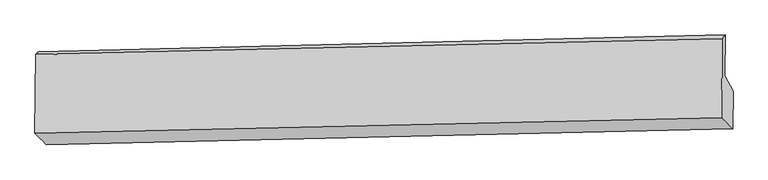
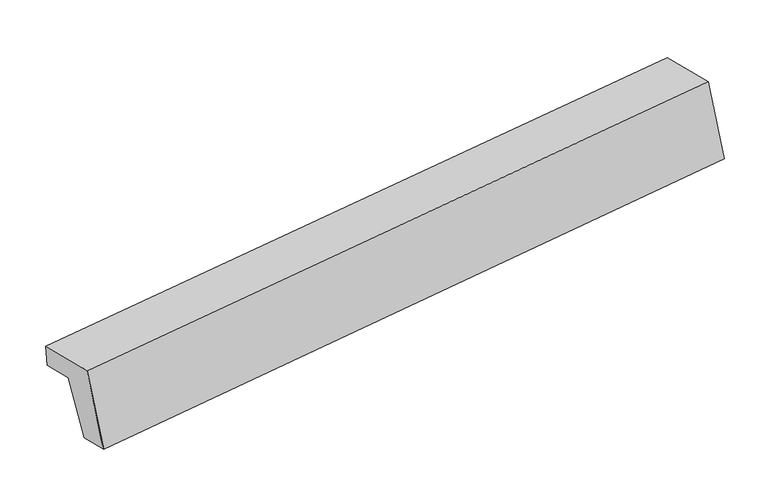
"""IFC4 building model written with IfcOpenShell, lengths in millimetres: proxy geometry."""

from ifc_helpers import new_model, si_unit, frame, origin, place, context, project, spatial, source, transform, mapped, element, save
from ifc_brep_helpers import plane_surface, spline_surface, advanced_brep


def generic_models_89c8622b(model_context):
    return source(origin(), model_context, "Body", "AdvancedBrep", [
        advanced_brep(
        [(-6275.6986638, -1164.2426885, 1786.4335851), (-6282.8057015, -1939.0851548, 1981.6617519), (459.3950765, -1785.5501903, 2795.538074), (466.5021142, -1010.7077239, 2600.3099072), (-6169.792179, -2050.3073248, 1116.0309789), (569.8431578, -1891.9041508, 1949.1353808), (-6166.4501791, -1685.9468793, 1024.2272577), (573.1851577, -1527.5437053, 1857.3316595), (-6248.8794953, -1529.5280966, 1642.0381459), (492.0385621, -1373.5590273, 2465.528508), (-6245.2880041, -1137.9669471, 1543.3809753), (495.7189923, -972.3013215, 2364.4282073)],
        [
            (0, 1),
            (1, 2),
            (2, 3),
            (3, 0),
            (1, 4),
            (4, 5),
            (5, 2),
            (4, 6),
            (6, 7),
            (7, 5),
            (6, 8),
            (8, 9),
            (9, 7),
            (8, 10),
            (10, 11),
            (11, 9),
            (10, 0),
            (3, 11),
        ],
        [
            plane_surface(frame((-6279.2521826, -1551.6639217, 1884.0476685), z_axis=(-0.12169964227059903, 0.24355609294467737, 0.9622211942483557), x_axis=(-0.00889391004416463, -0.969655636470215, 0.24431300625564034))),
            spline_surface(1, 1, [[(-6282.8057015, -1939.0851548, 1981.6617519), (459.3950765, -1785.5501903, 2795.538074)], [(-6169.792179, -2050.3073248, 1116.0309789), (569.8431578, -1891.9041508, 1949.1353808)]], [2, 2], [2, 2], [0.0, 1.0], [0.0, 1.0]),
            plane_surface(frame((-6168.1211791, -1868.1271021, 1070.1291183), z_axis=(0.12462135472577561, -0.24349269328420362, -0.9618632055877371), x_axis=(0.00889391004417547, 0.9696556364702149, -0.24431300625564023))),
            plane_surface(frame((-6207.6648372, -1607.737488, 1333.1327018), z_axis=(0.007433958997362308, 0.9696210382630451, -0.24449903560406985), x_axis=(-0.12827205622401772, 0.24341047364425403, 0.961403984239894))),
            plane_surface(frame((-6247.0837497, -1333.7475219, 1592.7095606), z_axis=(0.12316062087080742, -0.24352465723162717, -0.962043243719811), x_axis=(0.008893910044175522, 0.9696556364702149, -0.2443130062556402))),
            spline_surface(1, 1, [[(-6245.2880041, -1137.9669471, 1543.3809753), (495.7189923, -972.3013215, 2364.4282073)], [(-6275.6986638, -1164.2426885, 1786.4335851), (466.5021142, -1010.7077239, 2600.3099072)]], [2, 2], [2, 2], [0.0, 1.0], [0.0, 1.0]),
            plane_surface(frame((509.4471768, -1426.9276865, 2338.7119561), z_axis=(0.9916991368132676, 0.022787891122748774, 0.12654459317567707), x_axis=(0.008893910044175522, 0.9696556364702149, -0.2443130062556402))),
            plane_surface(frame((-6231.4857038, -1584.5128485, 1515.6287825), z_axis=(-0.9916991368132667, -0.02278789112275109, -0.12654459317568514), x_axis=(0.1234434380438844, 0.10665891133499689, -0.9866030580921281))),
        ],
        [
            (0, [[1, 2, 3, 4]]),
            (1, [[5, 6, 7, -2]]),
            (2, [[8, 9, 10, -6]]),
            (3, [[11, 12, 13, -9]]),
            (4, [[14, 15, 16, -12]]),
            (5, [[17, -4, 18, -15]]),
            (6, [[-16, -18, -3, -7, -10, -13]]),
            (7, [[-17, -14, -11, -8, -5, -1]]),
        ],
    ),
    ])


if __name__ == "__main__":
    model = new_model("IFC4")
    model_context = context("Model", 3, world=origin())
    ifc_project = project(units=[si_unit("LENGTHUNIT", "METRE", prefix="MILLI")], contexts=[model_context])
    site = spatial("IfcSite", under=ifc_project)
    building = spatial("IfcBuilding", under=site)
    placement = place(None, origin())
    generic_models_shape = generic_models_89c8622b(model_context)
    element("IfcBuildingElementProxy", 1, Name="Generic Models", at=placement, inside=building, context=model_context, shape_type="MappedRepresentation", body=[
        mapped(generic_models_shape, transform((0.0, 0.0, 0.0), x_axis=(1.0, 0.0, 0.0), y_axis=(0.0, 1.0, 0.0), z_axis=(0.0, 0.0, 1.0))),
    ])
    save(model, "model.ifc")
